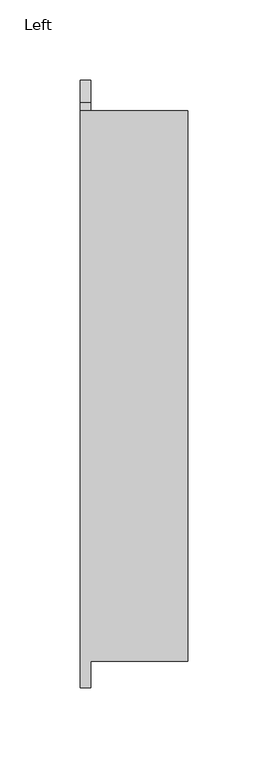
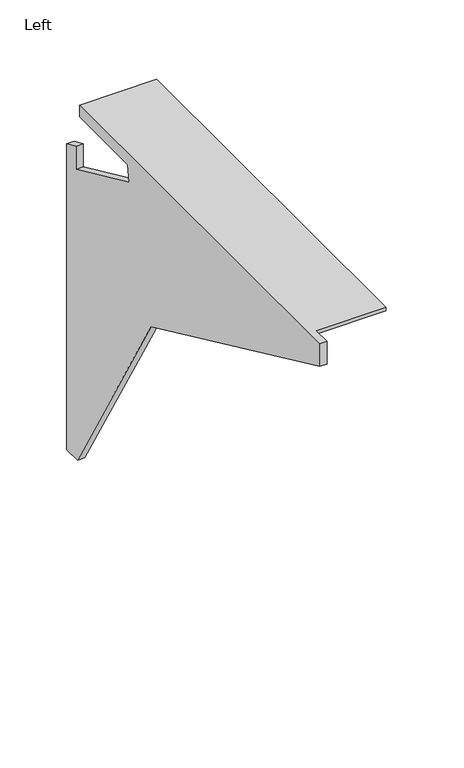
"""IFC4 building model written with IfcOpenShell, lengths in millimetres: furniture geometry, Left."""

from ifc_helpers import new_model, si_unit, origin, place, context, project, spatial, faceted_brep, source, transform, mapped, element, save


def left_3864d0c0(model_context):
    return source(origin(), model_context, "Body", "Brep", [
        faceted_brep([(6.35, -378.005924, 693.7373789), (6.35, -378.005924, 673.1603645), (6.35, -126.1876465, 556.5973486), (6.35, -15.8528841, 367.9598803), (6.35, 0.0, 367.9598803), (6.35, 0.0, 646.9179983), (6.35, -13.564579, 653.112751), (6.35, -13.564579, 631.915353), (6.35, -93.4246754, 668.6474859), (6.35, -90.6996964, 682.9788786), (6.35, -18.8652729, 683.2686138), (6.35, -18.8652729, 690.6147928), (6.35, -361.7652002, 690.6147928), (6.35, -361.7652002, 693.7373789), (0.0003876, -18.8652729, 693.7373789), (0.0003876, -18.8652729, 683.2686138), (0.0003876, -90.6996964, 682.9788786), (0.0003876, -93.4246754, 668.6474859), (0.0003876, -13.564579, 631.915353), (0.0003876, -13.564579, 653.112751), (0.0003876, 0.0, 646.9179983), (0.0003876, 0.0, 367.9598803), (0.0003876, -15.8528841, 367.9598803), (0.0003876, -126.1876465, 556.5973486), (0.0003876, -378.005924, 673.1603645), (0.0003876, -378.005924, 693.7373789), (66.802, -361.7652002, 693.7373789), (66.802, -18.8651276, 693.7373789), (66.802, -18.8652729, 690.6147928), (66.802, -361.7652002, 690.6147928)], [[[0, 1, 2, 3, 4, 5, 6, 7, 8, 9, 10, 11, 12, 13]], [[14, 15, 16, 17, 18, 19, 20, 21, 22, 23, 24, 25]], [[25, 0, 13, 26, 27, 14]], [[1, 0, 25, 24]], [[2, 1, 24, 23]], [[3, 2, 23, 22]], [[4, 3, 22, 21]], [[5, 4, 21, 20]], [[6, 5, 20, 19]], [[7, 6, 19, 18]], [[8, 7, 18, 17]], [[9, 8, 17, 16]], [[10, 9, 16, 15]], [[14, 27, 28, 11, 10, 15]], [[28, 29, 12, 11]], [[29, 26, 13, 12]], [[27, 26, 29, 28]]]),
    ])


if __name__ == "__main__":
    model = new_model("IFC4")
    model_context = context("Model", 3, world=origin())
    ifc_project = project(units=[si_unit("LENGTHUNIT", "METRE", prefix="MILLI")], contexts=[model_context])
    site = spatial("IfcSite", under=ifc_project)
    building = spatial("IfcBuilding", under=site)
    placement = place(None, origin())
    left_shape = left_3864d0c0(model_context)
    element("IfcFurniture", 1, ObjectType="Left", at=placement, inside=building, context=model_context, shape_type="MappedRepresentation", body=[
        mapped(left_shape, transform((0.0, 0.0, 0.0), x_axis=(1.0, 0.0, 0.0), y_axis=(0.0, 1.0, 0.0), z_axis=(0.0, 0.0, 1.0))),
    ])
    save(model, "model.ifc")
